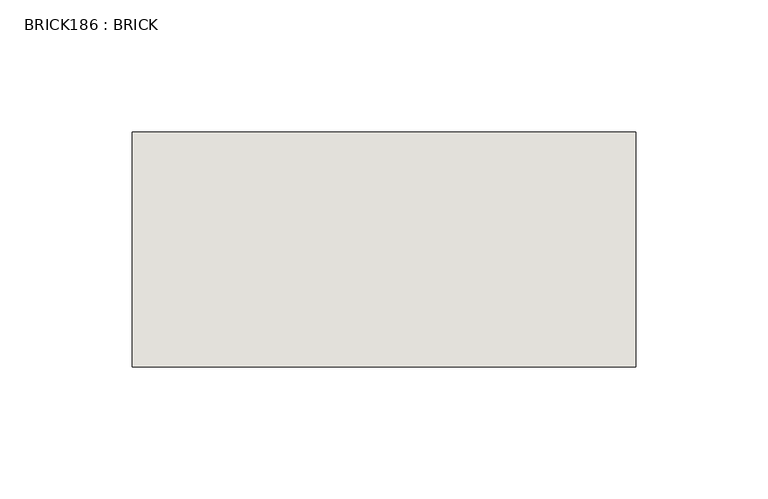
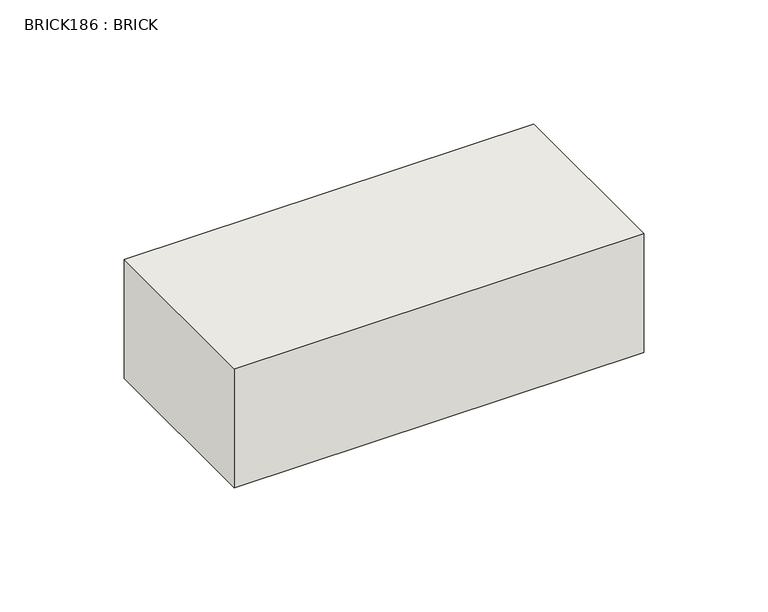
"""IFC4 building model written with IfcOpenShell, lengths in millimetres: wall geometry, BRICK186 : BRICK."""

from ifc_helpers import new_model, si_unit, frame, origin, place, context, project, spatial, polyline, outline, extrude, source, transform, mapped, element, save


def brick186_brick_51ca0ec0(model_context):
    return source(origin(), model_context, "Body", "SweptSolid", [
        extrude(outline(polyline([(-565.5316239, 3062.3923312), (-375.0316239, 3062.3923312), (-375.0316239, 2973.4923312), (-565.5316239, 2973.4923312), (-565.5316239, 3062.3923312)])), frame((0.0, 0.0, 74.3148438), z_axis=(0.0, 0.0, 1.0), x_axis=(1.0, 0.0, 0.0)), (0.0, 0.0, 1.0), 58.4398438),
    ])


if __name__ == "__main__":
    model = new_model("IFC4")
    model_context = context("Model", 3, world=origin())
    ifc_project = project(units=[si_unit("LENGTHUNIT", "METRE", prefix="MILLI")], contexts=[model_context])
    site = spatial("IfcSite", under=ifc_project)
    building = spatial("IfcBuilding", under=site)
    placement = place(None, origin())
    brick186_brick_shape = brick186_brick_51ca0ec0(model_context)
    element("IfcWall", 1, ObjectType="BRICK186 : BRICK", at=placement, inside=building, context=model_context, shape_type="MappedRepresentation", body=[
        mapped(brick186_brick_shape, transform((0.0, 0.0, 0.0), x_axis=(1.0, 0.0, 0.0), y_axis=(0.0, 1.0, 0.0), z_axis=(0.0, 0.0, 1.0))),
    ])
    save(model, "model.ifc")
